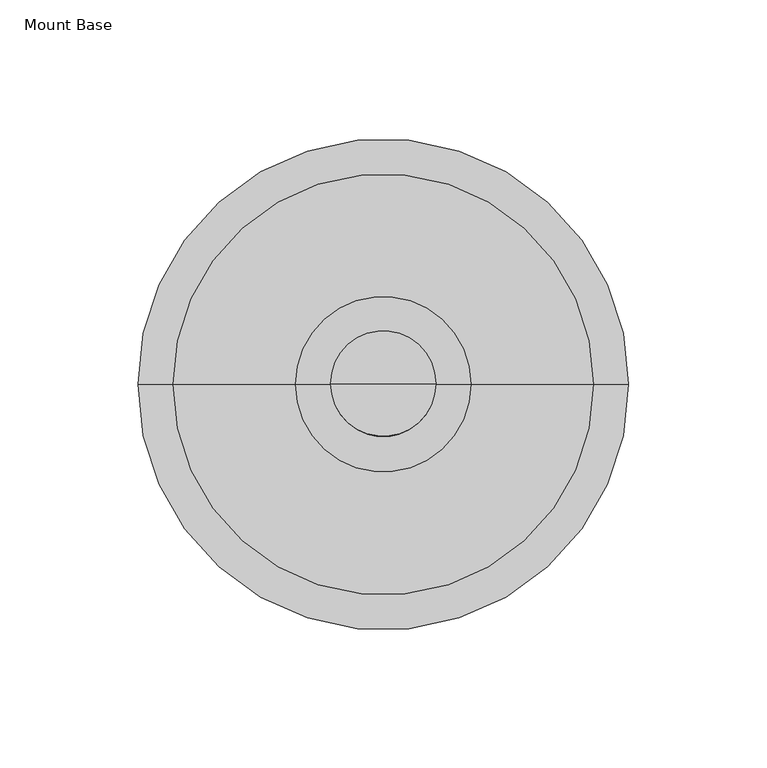
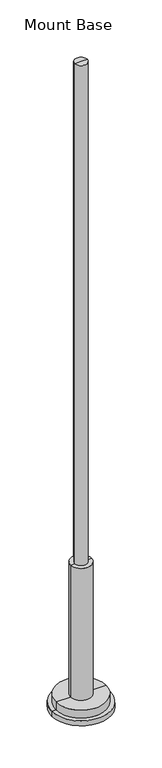
"""IFC4 building model written with IfcOpenShell, lengths in millimetres: furniture geometry, Mount Base."""

import ifcopenshell
import ifcopenshell.guid

model = None  # the IFC model being written
_history = None  # IfcOwnerHistory: only IFC2X3 demands one
_inside = {}  # id of a spatial element -> (the spatial element, [elements in it])
_under = {}  # id of a project, library or spatial element -> (it, [spatial elements below it])
_declared = {}  # id of a project -> (the project, [libraries it declares])
_typed = {}  # id of a type object -> (the type object, [elements of that type])
_made_of = {}  # id of a material, layer set ... -> (it, [elements and type objects made of it])


def new_model(schema):
    """Start an empty IFC model of exactly this schema.

    Asked for "IFC4X3", IfcOpenShell would pick the latest addendum, in which some entities
    have other attributes; the version numbers below select the first issue.
    IFC2X3 requires an IfcOwnerHistory on every rooted entity: one is made here for all.
    """
    global model, _history
    if schema == "IFC4X3":
        model = ifcopenshell.file(schema_version=(4, 3, 0, 0))
    else:
        model = ifcopenshell.file(schema=schema)
    _inside.clear()
    _under.clear()
    _declared.clear()
    _typed.clear()
    _made_of.clear()
    _history = None
    if model.schema == "IFC2X3":
        org = make("IfcOrganization", Name="unknown")
        user = make(
            "IfcPersonAndOrganization",
            ThePerson=make("IfcPerson", FamilyName="unknown"),
            TheOrganization=org,
        )
        app = make(
            "IfcApplication",
            ApplicationDeveloper=org,
            Version="unknown",
            ApplicationFullName="unknown",
            ApplicationIdentifier="unknown",
        )
        _history = make(
            "IfcOwnerHistory",
            OwningUser=user,
            OwningApplication=app,
            ChangeAction="ADDED",
            CreationDate=0,
        )
    return model


def make(cls, **values):
    """One entity of the class cls with the attributes given. An attribute that is None is left unset."""
    return model.create_entity(
        cls, **{name: value for name, value in values.items() if value is not None}
    )


def rooted(cls, **values):
    """An entity with a GlobalId (a new one), such as an element, a storey or a relation."""
    return make(cls, GlobalId=ifcopenshell.guid.new(), OwnerHistory=_history, **values)


def si_unit(unit_type, name, prefix=None):
    """IfcSIUnit, for example si_unit("LENGTHUNIT", "METRE", prefix="MILLI")."""
    return make("IfcSIUnit", UnitType=unit_type, Prefix=prefix, Name=name)


def assignment(units):
    """IfcUnitAssignment: the units of a project."""
    return None if units is None else make("IfcUnitAssignment", Units=units)


def point(xyz):
    """IfcCartesianPoint."""
    return None if xyz is None else make("IfcCartesianPoint", Coordinates=xyz)


def direction(xyz):
    """IfcDirection."""
    return None if xyz is None else make("IfcDirection", DirectionRatios=xyz)


def frame(location, z_axis=None, x_axis=None):
    """IfcAxis2Placement3D, a coordinate frame: its origin and axes. An axis left out is left unset."""
    return make(
        "IfcAxis2Placement3D",
        Location=point(location),
        Axis=direction(z_axis),
        RefDirection=direction(x_axis),
    )


def origin():
    """The frame at (0, 0, 0) with its axes left unset."""
    return frame((0.0, 0.0, 0.0))


def place(relative_to, where):
    """IfcLocalPlacement: puts the frame where relative to a parent placement (None: the world)."""
    return make(
        "IfcLocalPlacement", PlacementRelTo=relative_to, RelativePlacement=where
    )


def context(
    kind, dimensions, precision=None, world=None, true_north=None, identifier=None
):
    """IfcGeometricRepresentationContext, for example the 3D "Model" context."""
    return make(
        "IfcGeometricRepresentationContext",
        ContextIdentifier=identifier,
        ContextType=kind,
        CoordinateSpaceDimension=dimensions,
        Precision=precision,
        WorldCoordinateSystem=world,
        TrueNorth=true_north,
    )


def project(units=None, contexts=None):
    """IfcProject with its units and contexts."""
    return rooted(
        "IfcProject",
        Name="project",
        RepresentationContexts=contexts,
        UnitsInContext=assignment(units),
    )


def spatial(cls, under=None, at=None, **own):
    """A site, building, storey or space (cls), placed at a placement, below another one or the project."""
    s = rooted(cls, ObjectPlacement=at, **own)
    if under is not None:
        _under.setdefault(under.id(), (under, []))[1].append(s)
    return s


def circle_curve(where, radius):
    """IfcCircle in the frame where."""
    return make("IfcCircle", Position=where, Radius=radius)


def shape(context_of_items, identifier, shape_type, items):
    """IfcShapeRepresentation: the items that make up one representation, for example the "Body"."""
    return make(
        "IfcShapeRepresentation",
        ContextOfItems=context_of_items,
        RepresentationIdentifier=identifier,
        RepresentationType=shape_type,
        Items=items,
    )


def source(mapping_origin, context_of_items, identifier, shape_type, items):
    """IfcRepresentationMap: a shape defined once, which mapped items show again and again."""
    return make(
        "IfcRepresentationMap",
        MappingOrigin=mapping_origin,
        MappedRepresentation=shape(context_of_items, identifier, shape_type, items),
    )


def transform(
    local_origin,
    x_axis=None,
    y_axis=None,
    z_axis=None,
    scale=None,
    scale2=None,
    scale3=None,
    uniform=True,
):
    """IfcCartesianTransformationOperator3D, or its non-uniform kind. x_axis, y_axis, z_axis: its Axis1, 2, 3."""
    if uniform:
        return make(
            "IfcCartesianTransformationOperator3D",
            Axis1=direction(x_axis),
            Axis2=direction(y_axis),
            LocalOrigin=point(local_origin),
            Scale=scale,
            Axis3=direction(z_axis),
        )
    return make(
        "IfcCartesianTransformationOperator3DnonUniform",
        Axis1=direction(x_axis),
        Axis2=direction(y_axis),
        LocalOrigin=point(local_origin),
        Scale=scale,
        Axis3=direction(z_axis),
        Scale2=scale2,
        Scale3=scale3,
    )


def mapped(mapping_source, mapping_target):
    """IfcMappedItem: shows the shape of a source again, moved by a transform."""
    return make(
        "IfcMappedItem", MappingSource=mapping_source, MappingTarget=mapping_target
    )


def made_of(thing, what):
    """Note that an element or type object is made of a material, layer set ...; save() writes the relation."""
    if what is not None:
        _made_of.setdefault(what.id(), (what, []))[1].append(thing)
    return thing


def element(
    cls,
    number,
    at=None,
    inside=None,
    cuts=None,
    type_object=None,
    material=None,
    context=None,
    identifier="Body",
    shape_type=None,
    held_by="IfcProductDefinitionShape",
    body=None,
    shapes=None,
    **own,
):
    """One element of the class cls, such as IfcWall. Its Tag is "e" and its number.

    at: its placement. inside: the storey or other place that contains it. cuts: it is an
    opening in that element (IfcRelVoidsElement). A single representation is given by context,
    identifier, shape_type and body (its items); several are given by shapes. held_by: the class
    of the entity that holds the representations. save() writes the other relations.
    """
    e = rooted(cls, Tag="e%d" % number, ObjectPlacement=at, **own)
    if body is not None:
        shapes = [shape(context, identifier, shape_type, body)]
    if shapes is not None:
        e.Representation = make(held_by, Representations=shapes)
    if inside is not None:
        _inside.setdefault(inside.id(), (inside, []))[1].append(e)
    if cuts is not None:
        rooted(
            "IfcRelVoidsElement", RelatingBuildingElement=cuts, RelatedOpeningElement=e
        )
    if type_object is not None:
        _typed.setdefault(type_object.id(), (type_object, []))[1].append(e)
    return made_of(e, material)


def aggregate(whole, parts):
    """IfcRelAggregates: a whole, such as a stair, and the parts it consists of."""
    return rooted("IfcRelAggregates", RelatingObject=whole, RelatedObjects=parts)


def save(model, path):
    """Write the relations noted so far, then the file.

    IfcRelAggregates (storeys below a building ...), IfcRelContainedInSpatialStructure (elements
    in a storey), IfcRelDefinesByType, IfcRelAssociatesMaterial and IfcRelDeclares: one each for
    every whole, place, type object, material and project.
    """
    for whole, parts in _under.values():
        aggregate(whole, parts)
    for where, things in _inside.values():
        rooted(
            "IfcRelContainedInSpatialStructure",
            RelatedElements=things,
            RelatingStructure=where,
        )
    for kind, things in _typed.values():
        rooted("IfcRelDefinesByType", RelatedObjects=things, RelatingType=kind)
    for what, things in _made_of.values():
        rooted("IfcRelAssociatesMaterial", RelatedObjects=things, RelatingMaterial=what)
    for by, libraries in _declared.values():
        rooted("IfcRelDeclares", RelatingContext=by, RelatedDefinitions=libraries)
    model.write(path)


def plane_surface(at):
    """IfcPlane: the flat surface through the origin of the frame at, square to its z axis."""
    return make("IfcPlane", Position=at)


def cylinder_surface(at, radius):
    """IfcCylindricalSurface: all points at the distance radius from the z axis of the frame at."""
    return make("IfcCylindricalSurface", Position=at, Radius=radius)


def advanced_brep(points, edges, surfaces, faces):
    """IfcAdvancedBrep: a solid bounded by faces that lie on surfaces and meet in shared edges.

    An edge is (start, end): straight between two places in points (the first is 0);
    or (start, end, curve); or (start, end, curve, False) where it runs against its curve.
    A face is (place in surfaces, loops), or (place, loops, False) where it looks against
    its surface's normal. A loop lists edges by number (the first is 1), with a minus sign
    where the edge is run from its end to its start. The first loop is the outer one.
    """
    corners = [point(p) for p in points]
    vertices = [make("IfcVertexPoint", VertexGeometry=c) for c in corners]
    made = []
    for start, end, *more in edges:
        made.append(
            make(
                "IfcEdgeCurve",
                EdgeStart=vertices[start],
                EdgeEnd=vertices[end],
                EdgeGeometry=more[0] if more else make("IfcPolyline", Points=[corners[start], corners[end]]),
                SameSense=more[1] if len(more) > 1 else True,
            )
        )
    hull = []
    for where, loops, *sense in faces:
        bounds = []
        for j, loop in enumerate(loops):
            ring = [make("IfcOrientedEdge", EdgeElement=made[abs(k) - 1], Orientation=k > 0) for k in loop]
            bounds.append(
                make(
                    "IfcFaceOuterBound" if j == 0 else "IfcFaceBound",
                    Bound=make("IfcEdgeLoop", EdgeList=ring),
                    Orientation=True,
                )
            )
        hull.append(make("IfcAdvancedFace", Bounds=bounds, FaceSurface=surfaces[where], SameSense=sense[0] if sense else True))
    return make("IfcAdvancedBrep", Outer=make("IfcClosedShell", CfsFaces=hull))


def mount_base_3fff9afe(model_context):
    return source(origin(), model_context, "Body", "AdvancedBrep", [
        advanced_brep(
        [(-88.9, -4.0299408, 15.8750008), (88.9, -4.0299408, 15.8750008), (88.9, -4.0299408, 0.0), (-88.9, -4.0299408, 0.0), (-76.2, -4.0299408, 15.8750008), (76.2, -4.0299408, 15.8750008), (-76.2, -4.0299408, 41.2750008), (76.2, -4.0299408, 41.2750008), (0.0, -4.0299408, 41.2750008), (0.0, -4.0299408, 0.0)],
        [
            (0, 1, circle_curve(frame((0.0, -4.0299408, 15.8750008), z_axis=(0.0, 0.0, -1.0), x_axis=(1.0, 0.0, 0.0)), 88.9)),
            (1, 2),
            (2, 3, circle_curve(frame((0.0, -4.0299408, 0.0), z_axis=(0.0, 0.0, 1.0), x_axis=(1.0, 0.0, 0.0)), 88.9)),
            (3, 0),
            (1, 0, circle_curve(frame((0.0, -4.0299408, 15.8750008), z_axis=(0.0, 0.0, -1.0), x_axis=(1.0, 0.0, 0.0)), 88.9)),
            (3, 2, circle_curve(frame((0.0, -4.0299408, 0.0), z_axis=(0.0, 0.0, 1.0), x_axis=(1.0, 0.0, 0.0)), 88.9)),
            (4, 5, circle_curve(frame((0.0, -4.0299408, 15.8750008), z_axis=(0.0, 0.0, -1.0), x_axis=(1.0, 0.0, 0.0)), 76.2)),
            (5, 1),
            (0, 4),
            (5, 4, circle_curve(frame((0.0, -4.0299408, 15.8750008), z_axis=(0.0, 0.0, -1.0), x_axis=(1.0, 0.0, 0.0)), 76.2)),
            (6, 7, circle_curve(frame((0.0, -4.0299408, 41.2750008), z_axis=(0.0, 0.0, -1.0), x_axis=(1.0, 0.0, 0.0)), 76.2)),
            (7, 5),
            (4, 6),
            (7, 6, circle_curve(frame((0.0, -4.0299408, 41.2750008), z_axis=(0.0, 0.0, -1.0), x_axis=(1.0, 0.0, 0.0)), 76.2)),
            (8, 7),
            (6, 8),
            (2, 9),
            (9, 3),
        ],
        [
            cylinder_surface(frame((0.0, -4.0299408, 161.9250008), z_axis=(0.0, 0.0, 1.0), x_axis=(1.0, 0.0, 0.0)), 88.9),
            plane_surface(frame((0.0, -4.0299408, 15.8750008), z_axis=(0.0, 0.0, 1.0), x_axis=(1.0, 0.0, 0.0))),
            cylinder_surface(frame((0.0, -4.0299408, 161.9250008), z_axis=(0.0, 0.0, 1.0), x_axis=(1.0, 0.0, 0.0)), 76.2),
            plane_surface(frame((0.0, -4.0299408, 41.2750008), z_axis=(0.0, 0.0, 1.0), x_axis=(1.0, 0.0, 0.0))),
            plane_surface(frame((0.0, -4.0299408, 0.0), z_axis=(0.0, 0.0, -1.0), x_axis=(1.0, 0.0, 0.0))),
        ],
        [
            (0, [[1, 2, 3, 4]]),
            (0, [[5, -4, 6, -2]]),
            (1, [[7, 8, -1, 9]]),
            (1, [[10, -9, -5, -8]]),
            (2, [[11, 12, -7, 13]]),
            (2, [[14, -13, -10, -12]]),
            (3, [[15, -11, 16]]),
            (3, [[-16, -14, -15]]),
            (4, [[-3, 17, 18]]),
            (4, [[-6, -18, -17]]),
        ],
    ),
        advanced_brep(
        [(-19.05, -4.0299408, 463.5500121), (19.05, -4.0299408, 463.5500121), (31.7499992, -4.0299408, 463.5500121), (-31.7499992, -4.0299408, 463.5500121), (-19.05, -4.0299408, 2063.75), (19.05, -4.0299408, 2063.75), (0.0, -4.0299408, 2063.75), (-31.7499992, -4.0299408, 25.4), (31.7499992, -4.0299408, 25.4), (0.0, -4.0299408, 25.4)],
        [
            (0, 1, circle_curve(frame((0.0, -4.0299408, 463.5500121), z_axis=(0.0, 0.0, -1.0), x_axis=(1.0, 0.0, 0.0)), 19.05)),
            (1, 2),
            (2, 3, circle_curve(frame((0.0, -4.0299408, 463.5500121), z_axis=(0.0, 0.0, 1.0), x_axis=(1.0, 0.0, 0.0)), 31.7499992)),
            (3, 0),
            (1, 0, circle_curve(frame((0.0, -4.0299408, 463.5500121), z_axis=(0.0, 0.0, -1.0), x_axis=(1.0, 0.0, 0.0)), 19.05)),
            (3, 2, circle_curve(frame((0.0, -4.0299408, 463.5500121), z_axis=(0.0, 0.0, 1.0), x_axis=(1.0, 0.0, 0.0)), 31.7499992)),
            (4, 5, circle_curve(frame((0.0, -4.0299408, 2063.75), z_axis=(0.0, 0.0, -1.0), x_axis=(1.0, 0.0, 0.0)), 19.05)),
            (5, 1),
            (0, 4),
            (5, 4, circle_curve(frame((0.0, -4.0299408, 2063.75), z_axis=(0.0, 0.0, -1.0), x_axis=(1.0, 0.0, 0.0)), 19.05)),
            (6, 5),
            (4, 6),
            (7, 8, circle_curve(frame((0.0, -4.0299408, 25.4), z_axis=(0.0, 0.0, -1.0), x_axis=(1.0, 0.0, 0.0)), 31.7499992)),
            (8, 9),
            (9, 7),
            (8, 7, circle_curve(frame((0.0, -4.0299408, 25.4), z_axis=(0.0, 0.0, -1.0), x_axis=(1.0, 0.0, 0.0)), 31.7499992)),
            (2, 8),
            (7, 3),
        ],
        [
            plane_surface(frame((0.0, -4.0299408, 463.5500121), z_axis=(0.0, 0.0, 1.0), x_axis=(1.0, 0.0, 0.0))),
            cylinder_surface(frame((0.0, -4.0299408, 2927.35), z_axis=(0.0, 0.0, 1.0), x_axis=(1.0, 0.0, 0.0)), 19.05),
            plane_surface(frame((0.0, -4.0299408, 2063.75), z_axis=(0.0, 0.0, 1.0), x_axis=(1.0, 0.0, 0.0))),
            plane_surface(frame((0.0, -4.0299408, 25.4), z_axis=(0.0, 0.0, -1.0), x_axis=(1.0, 0.0, 0.0))),
            cylinder_surface(frame((0.0, -4.0299408, 2927.35), z_axis=(0.0, 0.0, 1.0), x_axis=(1.0, 0.0, 0.0)), 31.7499992),
        ],
        [
            (0, [[1, 2, 3, 4]]),
            (0, [[5, -4, 6, -2]]),
            (1, [[7, 8, -1, 9]]),
            (1, [[10, -9, -5, -8]]),
            (2, [[11, -7, 12]]),
            (2, [[-12, -10, -11]]),
            (3, [[13, 14, 15]]),
            (3, [[16, -15, -14]]),
            (4, [[-3, 17, -13, 18]]),
            (4, [[-6, -18, -16, -17]]),
        ],
    ),
    ])


if __name__ == "__main__":
    model = new_model("IFC4")
    model_context = context("Model", 3, world=origin())
    ifc_project = project(units=[si_unit("LENGTHUNIT", "METRE", prefix="MILLI")], contexts=[model_context])
    site = spatial("IfcSite", under=ifc_project)
    building = spatial("IfcBuilding", under=site)
    placement = place(None, origin())
    mount_base_shape = mount_base_3fff9afe(model_context)
    element("IfcFurniture", 1, ObjectType="Mount Base", at=placement, inside=building, context=model_context, shape_type="MappedRepresentation", body=[
        mapped(mount_base_shape, transform((0.0, 0.0, 0.0), x_axis=(1.0, 0.0, 0.0), y_axis=(0.0, 1.0, 0.0), z_axis=(0.0, 0.0, 1.0))),
    ])
    save(model, "model.ifc")
